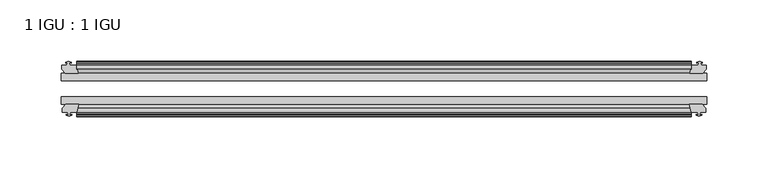
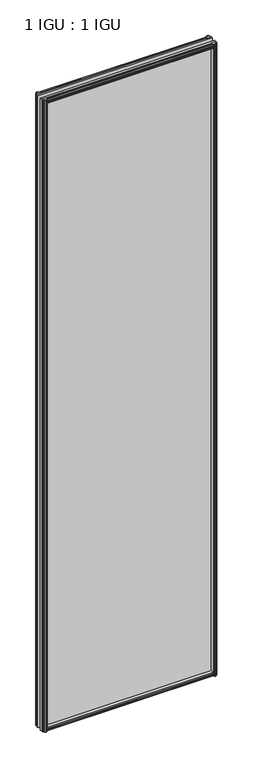
"""IFC4 building model written with IfcOpenShell, lengths in millimetres: plate geometry, 1 IGU : 1 IGU."""

from ifc_helpers import new_model, si_unit, frame, origin, place, context, project, spatial, polyline, outline, extrude, source, transform, mapped, element, save


def plate_1_igu_1_igu_2fb6e080(model_context):
    return source(origin(), model_context, "Body", "SweptSolid", [
        extrude(outline(polyline([(-25.8960937, 1.1970181), (-19.5460937, -0.5207), (-19.5460937, -5.7277), (-17.1658968, -6.1087), (-17.62583, -4.6931709), (-16.8246158, -4.6931709), (-16.1170937, -6.8707), (-16.8246158, -9.0482291), (-17.62583, -9.0482291), (-17.1658968, -7.6327), (-19.5460937, -8.0137), (-19.5460937, -12.4587), (-22.4924937, -12.4587), (-25.8960937, -9.6243578), (-25.8960937, 1.1970181)])), frame((-250.8317466, 0.0, 0.0), z_axis=(1.0, 0.0, 0.0), x_axis=(0.0, 1.0, 0.0)), (0.0, 0.0, 1.0), 501.6634932),
        extrude(outline(polyline([(-51.2960937, 1.7177181), (-51.2960937, -9.1036578), (-54.6996937, -11.938), (-57.6460937, -11.938), (-57.6460937, -7.493), (-60.0262907, -7.112), (-59.5663575, -8.5275291), (-60.3675717, -8.5275291), (-61.0750937, -6.35), (-60.3675717, -4.1724709), (-59.5663575, -4.1724709), (-60.0262907, -5.588), (-57.6460937, -5.207), (-57.6460937, 0.0), (-51.2960937, 1.7177181)])), frame((-250.8317466, 0.0, 0.0), z_axis=(1.0, 0.0, 0.0), x_axis=(0.0, 1.0, 0.0)), (0.0, 0.0, 1.0), 501.6634932),
        extrude(outline(polyline([(-57.6460937, 2005.838), (-54.6996937, 2005.838), (-51.2960937, 2003.0036578), (-51.2960937, 1992.1822819), (-57.6460937, 1993.9), (-57.6460937, 1999.107), (-60.0262907, 1999.488), (-59.5663575, 1998.072471), (-60.3675717, 1998.072471), (-61.0750937, 2000.25), (-60.3675717, 2002.4275291), (-59.5663575, 2002.4275291), (-60.0262907, 2001.012), (-57.6460937, 2001.393), (-57.6460937, 2005.838)])), frame((-250.8317466, 0.0, 0.0), z_axis=(1.0, 0.0, 0.0), x_axis=(0.0, 1.0, 0.0)), (0.0, 0.0, 1.0), 501.6634932),
        extrude(outline(polyline([(-19.5460937, 2006.3587), (-19.5460937, 2001.9137), (-17.1658968, 2001.5327), (-17.62583, 2002.9482291), (-16.8246158, 2002.9482291), (-16.1170937, 2000.7707), (-16.8246158, 1998.593171), (-17.62583, 1998.593171), (-17.1658968, 2000.0087), (-19.5460937, 1999.6277), (-19.5460937, 1994.4207), (-25.8960937, 1992.7029819), (-25.8960937, 2003.5243578), (-22.4924937, 2006.3587), (-19.5460937, 2006.3587)])), frame((-250.8317466, 0.0, 0.0), z_axis=(1.0, 0.0, 0.0), x_axis=(0.0, 1.0, 0.0)), (0.0, 0.0, 1.0), 501.6634932),
        extrude(outline(polyline([(-257.7024466, -16.1170937), (-255.5249175, -16.8246158), (-255.5249175, -17.62583), (-256.9404466, -17.1658968), (-256.5594466, -19.5460937), (-251.3524466, -19.5460937), (-249.6347285, -25.8960937), (-260.4561044, -25.8960937), (-263.2904466, -22.4924937), (-263.2904466, -19.5460937), (-258.8454466, -19.5460937), (-258.4644466, -17.1658968), (-259.8799756, -17.62583), (-259.8799756, -16.8246158), (-257.7024466, -16.1170937)])), frame((0.0, 0.0, -12.7), z_axis=(0.0, 0.0, 1.0), x_axis=(1.0, 0.0, 0.0)), (0.0, 0.0, 1.0), 2019.3),
        extrude(outline(polyline([(-257.1817466, -61.0750938), (-259.3592756, -60.3675717), (-259.3592756, -59.5663575), (-257.9437466, -60.0262907), (-258.3247466, -57.6460938), (-262.7697466, -57.6460938), (-262.7697466, -54.6996938), (-259.9354044, -51.2960937), (-249.1140285, -51.2960937), (-250.8317466, -57.6460938), (-256.0387466, -57.6460938), (-256.4197466, -60.0262907), (-255.0042175, -59.5663575), (-255.0042175, -60.3675717), (-257.1817466, -61.0750938)])), frame((0.0, 0.0, -12.7), z_axis=(0.0, 0.0, 1.0), x_axis=(1.0, 0.0, 0.0)), (0.0, 0.0, 1.0), 2019.3),
        extrude(outline(polyline([(256.5594466, -19.5460937), (256.9404466, -17.1658968), (255.5249175, -17.62583), (255.5249175, -16.8246158), (257.7024466, -16.1170937), (259.8799756, -16.8246158), (259.8799756, -17.62583), (258.4644466, -17.1658968), (258.8454466, -19.5460937), (263.2904466, -19.5460937), (263.2904466, -22.4924937), (260.4561044, -25.8960937), (249.6347285, -25.8960937), (251.3524466, -19.5460937), (256.5594466, -19.5460937)])), frame((0.0, 0.0, -12.7), z_axis=(0.0, 0.0, 1.0), x_axis=(1.0, 0.0, 0.0)), (0.0, 0.0, 1.0), 2019.3),
        extrude(outline(polyline([(259.9354044, -51.2960937), (262.7697466, -54.6996937), (262.7697466, -57.6460937), (258.3247466, -57.6460937), (257.9437466, -60.0262907), (259.3592756, -59.5663575), (259.3592756, -60.3675717), (257.1817466, -61.0750937), (255.0042175, -60.3675717), (255.0042175, -59.5663575), (256.4197466, -60.0262907), (256.0387466, -57.6460937), (250.8317466, -57.6460937), (249.1140285, -51.2960937), (259.9354044, -51.2960937)])), frame((0.0, 0.0, -12.7), z_axis=(0.0, 0.0, 1.0), x_axis=(1.0, 0.0, 0.0)), (0.0, 0.0, 1.0), 2019.3),
        extrude(outline(polyline([(-263.5317466, -25.8960937), (263.5317466, -25.8960937), (263.5317466, -32.2460937), (-263.5317466, -32.2460937), (-263.5317466, -25.8960937)])), frame((0.0, 0.0, -12.7), z_axis=(0.0, 0.0, 1.0), x_axis=(1.0, 0.0, 0.0)), (0.0, 0.0, 1.0), 2019.3),
        extrude(outline(polyline([(263.5317466, -45.2686737), (263.5317466, -51.2960937), (-263.5317466, -51.2960937), (-263.5317466, -45.2686737), (263.5317466, -45.2686737)])), frame((0.0, 0.0, -12.7), z_axis=(0.0, 0.0, 1.0), x_axis=(1.0, 0.0, 0.0)), (0.0, 0.0, 1.0), 2019.3),
    ])


if __name__ == "__main__":
    model = new_model("IFC4")
    model_context = context("Model", 3, world=origin())
    ifc_project = project(units=[si_unit("LENGTHUNIT", "METRE", prefix="MILLI")], contexts=[model_context])
    site = spatial("IfcSite", under=ifc_project)
    building = spatial("IfcBuilding", under=site)
    placement = place(None, origin())
    plate_1_igu_1_igu_shape = plate_1_igu_1_igu_2fb6e080(model_context)
    element("IfcPlate", 1, ObjectType="1 IGU : 1 IGU", at=placement, inside=building, context=model_context, shape_type="MappedRepresentation", body=[
        mapped(plate_1_igu_1_igu_shape, transform((0.0, 0.0, 0.0), x_axis=(1.0, 0.0, 0.0), y_axis=(0.0, 1.0, 0.0), z_axis=(0.0, 0.0, 1.0))),
    ])
    save(model, "model.ifc")
